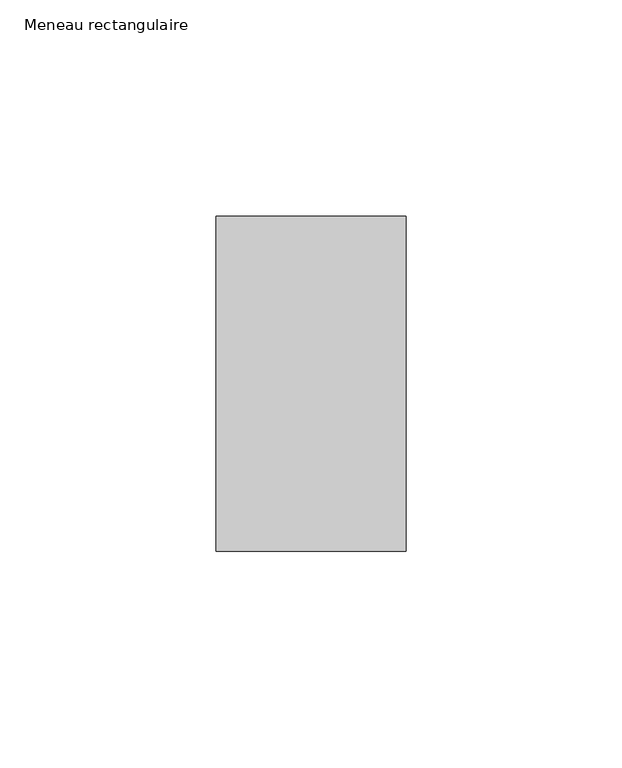
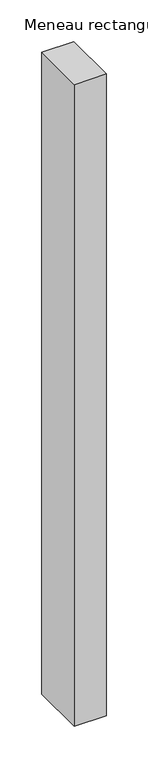
"""IFC4 building model written with IfcOpenShell, lengths in millimetres: member geometry, Meneau rectangulaire."""

from ifc_helpers import new_model, si_unit, frame, origin, place, context, project, spatial, polyline, outline, extrude, source, transform, mapped, element, save


def meneau_rectangulaire_5d2610d5(model_context):
    return source(origin(), model_context, "Body", "SweptSolid", [
        extrude(outline(polyline([(-44.0, 38.75), (0.0, 38.75), (0.0, -38.75), (-44.0, -38.75), (-44.0, 38.75)])), frame((0.0, 0.0, -937.0873828), z_axis=(0.0, 0.0, 1.0), x_axis=(1.0, 0.0, 0.0)), (0.0, 0.0, 1.0), 937.0873828),
    ])


if __name__ == "__main__":
    model = new_model("IFC4")
    model_context = context("Model", 3, world=origin())
    ifc_project = project(units=[si_unit("LENGTHUNIT", "METRE", prefix="MILLI")], contexts=[model_context])
    site = spatial("IfcSite", under=ifc_project)
    building = spatial("IfcBuilding", under=site)
    placement = place(None, origin())
    meneau_rectangulaire_shape = meneau_rectangulaire_5d2610d5(model_context)
    element("IfcMember", 1, ObjectType="Meneau rectangulaire", at=placement, inside=building, context=model_context, shape_type="MappedRepresentation", body=[
        mapped(meneau_rectangulaire_shape, transform((0.0, 0.0, 0.0), x_axis=(1.0, 0.0, 0.0), y_axis=(0.0, 1.0, 0.0), z_axis=(0.0, 0.0, 1.0))),
    ])
    save(model, "model.ifc")
